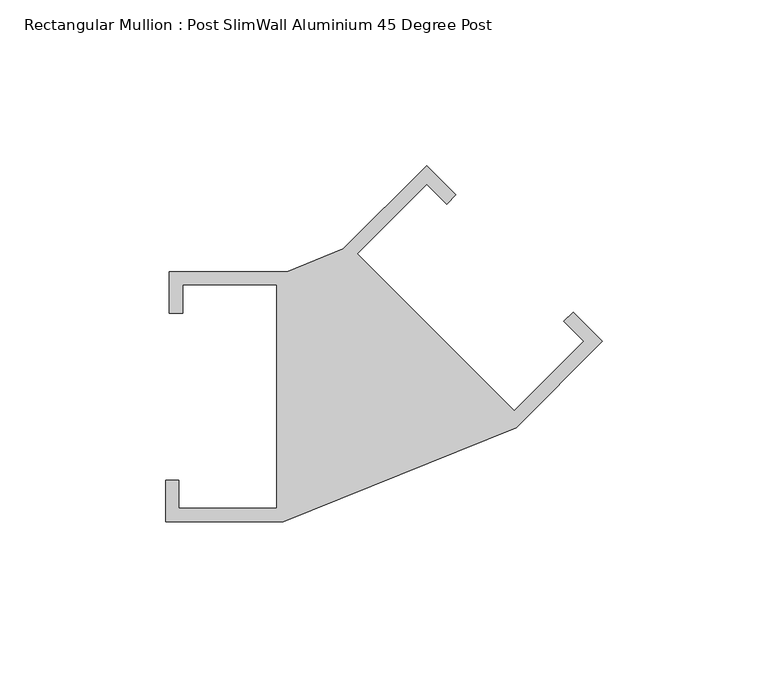
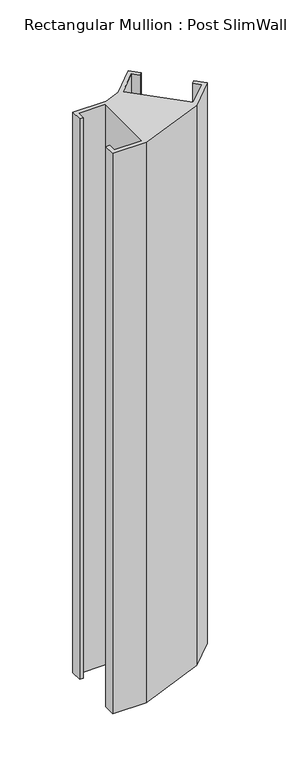
"""IFC4 building model written with IfcOpenShell, lengths in millimetres: member geometry, Rectangular Mullion : Post SlimWall Aluminium 45 Degree Post."""

from ifc_helpers import new_model, si_unit, frame, origin, place, context, project, spatial, polyline, outline, extrude, source, transform, mapped, element, save


def rectangular_mullion_post_slimwall_aluminium_45_degree_post_bf0e1f65(model_context):
    return source(origin(), model_context, "Body", "SweptSolid", [
        extrude(outline(polyline([(-98.2886422, -33.72692), (-98.2886422, 33.72692), (-126.6653488, 33.72692), (-126.6653488, 25.22692), (-130.6653488, 25.22692), (-130.6653488, 37.72692), (-95.1653488, 37.72692), (-78.1352993, 44.6075066), (-53.0330086, 69.7097973), (-44.1941738, 60.8709626), (-47.0226009, 58.0425354), (-53.0330086, 64.0529431), (-73.8926586, 43.193293), (-26.5165043, -4.1828613), (-5.6568542, 16.6767887), (-11.6672619, 22.6871964), (-8.8388348, 25.5156235), (0.0, 16.6767887), (-26.0088157, -9.3320269), (-96.2886422, -37.72692), (-131.7886422, -37.72692), (-131.7886422, -25.22692), (-127.7886422, -25.22692), (-127.7886422, -33.72692), (-98.2886422, -33.72692)])), frame((0.0, 0.0, -630.0), z_axis=(0.0, 0.0, 1.0), x_axis=(1.0, 0.0, 0.0)), (0.0, 0.0, 1.0), 630.0),
    ])


if __name__ == "__main__":
    model = new_model("IFC4")
    model_context = context("Model", 3, world=origin())
    ifc_project = project(units=[si_unit("LENGTHUNIT", "METRE", prefix="MILLI")], contexts=[model_context])
    site = spatial("IfcSite", under=ifc_project)
    building = spatial("IfcBuilding", under=site)
    placement = place(None, origin())
    rectangular_mullion_post_slimwall_aluminium_45_degree_post_shape = rectangular_mullion_post_slimwall_aluminium_45_degree_post_bf0e1f65(model_context)
    element("IfcMember", 1, ObjectType="Rectangular Mullion : Post SlimWall Aluminium 45 Degree Post", at=placement, inside=building, context=model_context, shape_type="MappedRepresentation", body=[
        mapped(rectangular_mullion_post_slimwall_aluminium_45_degree_post_shape, transform((0.0, 0.0, 0.0), x_axis=(1.0, 0.0, 0.0), y_axis=(0.0, 1.0, 0.0), z_axis=(0.0, 0.0, 1.0))),
    ])
    save(model, "model.ifc")
